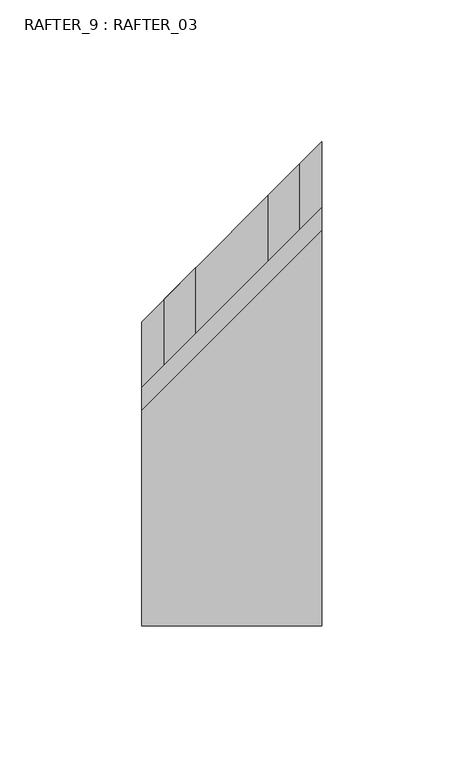
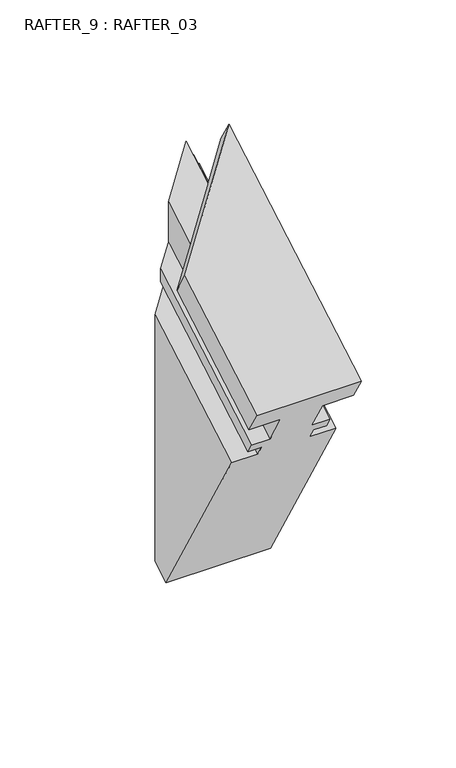
"""IFC4 building model written with IfcOpenShell, lengths in millimetres: proxy geometry, RAFTER_9 : RAFTER_03."""

from ifc_helpers import new_model, si_unit, origin, place, context, project, spatial, faceted_brep, source, transform, mapped, element, save


def rafter_9_rafter_03_3481e072(model_context):
    return source(origin(), model_context, "Body", "Brep", [
        faceted_brep([(2732.1220389, -13046.2448364, 1717.675), (2668.6220389, -13046.2448364, 1717.675), (2668.6220389, -13038.2358989, 1703.8031133), (2687.6720389, -13038.2358989, 1703.8031133), (2687.6720389, -13026.9963989, 1684.3357283), (2676.5468389, -13026.9963989, 1684.3357283), (2676.5468389, -13023.4149989, 1678.1325615), (2684.4970389, -13023.4149989, 1678.1325615), (2684.4970389, -13019.4652989, 1671.2914804), (2668.6220389, -13019.4652989, 1671.2914804), (2668.6220389, -12950.7963989, 1552.3534567), (2732.1220389, -12950.7963989, 1552.3534567), (2732.1220389, -13019.4652989, 1671.2914804), (2716.2470389, -13019.4652989, 1671.2914804), (2716.2470389, -13023.4149989, 1678.1325615), (2724.1972389, -13023.4149989, 1678.1325615), (2724.1972389, -13026.9963989, 1684.3357283), (2713.0720389, -13026.9963989, 1684.3357283), (2713.0720389, -13038.2358989, 1703.8031133), (2732.1220389, -13038.2358989, 1703.8031133), (2732.1220389, -12898.7894903, 1784.3125349), (2732.1220389, -12906.7984278, 1798.1844215), (2713.0720389, -12917.8394903, 1773.3140122), (2713.0720389, -12894.5948275, 1760.7778112), (2713.0720389, -12894.5976811, 1786.732677), (2724.1972389, -12883.4696275, 1767.2009484), (2724.1972389, -12883.4687182, 1758.9305843), (2716.2470389, -12891.4189182, 1754.3405342), (2716.2470389, -12891.4179154, 1745.2196718), (2732.1220389, -12875.5429154, 1754.3851073), (2732.1220389, -12875.5254811, 1595.8111414), (2668.6220389, -12939.0254811, 1559.1493993), (2668.6220389, -12939.0429154, 1717.7233652), (2684.4970389, -12923.1679154, 1726.8888007), (2684.4970389, -12923.1689182, 1736.0096632), (2676.5468389, -12931.1191182, 1731.4196131), (2676.5468389, -12931.1200275, 1739.6899771), (2687.6720389, -12919.9948275, 1746.1131143), (2687.6720389, -12943.2394903, 1758.6493154), (2687.6720389, -12920.050113, 1772.1587949), (2668.6220389, -12962.2894903, 1747.6507928), (2668.6220389, -12970.2984278, 1761.5226794)], [[[0, 1, 2, 3, 4, 5, 6, 7, 8, 9, 10, 11, 12, 13, 14, 15, 16, 17, 18, 19]], [[0, 19, 20, 21]], [[19, 18, 22, 20]], [[18, 17, 23, 24, 22]], [[17, 16, 25, 23]], [[16, 15, 26, 25]], [[15, 14, 27, 26]], [[14, 13, 28, 27]], [[13, 12, 29, 28]], [[12, 11, 30, 29]], [[11, 10, 31, 30]], [[10, 9, 32, 31]], [[9, 8, 33, 32]], [[8, 7, 34, 33]], [[7, 6, 35, 34]], [[6, 5, 36, 35]], [[5, 4, 37, 36]], [[4, 3, 38, 39, 37]], [[3, 2, 40, 38]], [[2, 1, 41, 40]], [[1, 0, 21, 41]], [[24, 23, 25, 26, 27, 28, 29, 30, 31, 32, 33, 34, 35, 36, 37, 39]], [[22, 38, 40, 41, 21, 20]], [[38, 22, 24, 39]]]),
    ])


if __name__ == "__main__":
    model = new_model("IFC4")
    model_context = context("Model", 3, world=origin())
    ifc_project = project(units=[si_unit("LENGTHUNIT", "METRE", prefix="MILLI")], contexts=[model_context])
    site = spatial("IfcSite", under=ifc_project)
    building = spatial("IfcBuilding", under=site)
    placement = place(None, origin())
    rafter_9_rafter_03_shape = rafter_9_rafter_03_3481e072(model_context)
    element("IfcBuildingElementProxy", 1, Name="RAFTER_9 : RAFTER_03", ObjectType="RAFTER_9 : RAFTER_03", at=placement, inside=building, context=model_context, shape_type="MappedRepresentation", body=[
        mapped(rafter_9_rafter_03_shape, transform((0.0, 0.0, 0.0), x_axis=(1.0, 0.0, 0.0), y_axis=(0.0, 1.0, 0.0), z_axis=(0.0, 0.0, 1.0))),
    ])
    save(model, "model.ifc")
